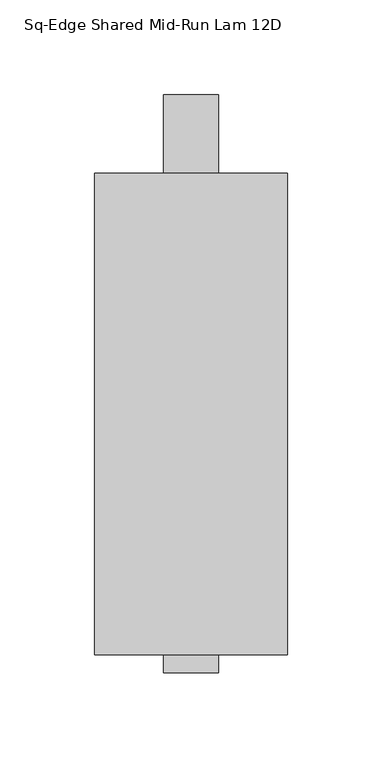
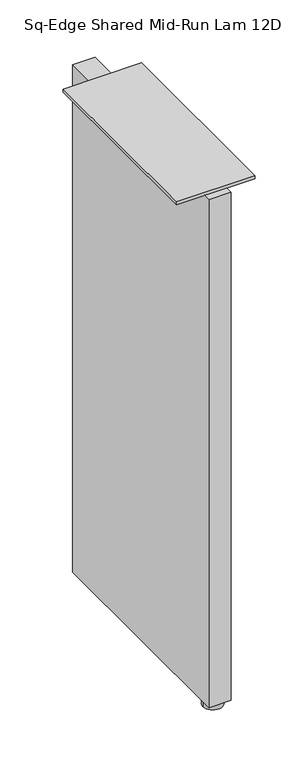
"""IFC4 building model written with IfcOpenShell, lengths in millimetres: furniture geometry, Sq-Edge Shared Mid-Run Lam 12D."""

from ifc_helpers import new_model, si_unit, frame, origin, place, context, project, spatial, polyline, circle_curve, outline, extrude, source, transform, mapped, element, save
from ifc_brep_helpers import plane_surface, cylinder_surface, advanced_brep


def sq_edge_shared_mid_run_lam_12d_a0b6dd9d(model_context):
    return source(origin(), model_context, "Body", "SolidModel", [
        advanced_brep(
        [(0.0, -292.4810027, 8.6613997), (4.1244459, -292.4810027, 8.6613997), (-4.1244459, -292.4810027, 8.6613997), (-12.7000004, -292.4810027, -1e-07), (12.7000004, -292.4810027, -1e-07), (0.0, -292.4810027, -1e-07), (-12.7000004, -292.4810027, 7.874), (12.7000004, -292.4810027, 7.874), (-4.1244459, -292.4810027, 7.874), (4.1244459, -292.4810027, 7.874)],
        [
            (0, 1),
            (1, 2, circle_curve(frame((0.0, -292.4810027, 8.6613997), z_axis=(0.0, 0.0, 1.0), x_axis=(1.0, 0.0, 0.0)), 4.1244459)),
            (2, 0),
            (2, 1, circle_curve(frame((0.0, -292.4810027, 8.6613997), z_axis=(0.0, 0.0, 1.0), x_axis=(1.0, 0.0, 0.0)), 4.1244459)),
            (3, 4, circle_curve(frame((0.0, -292.4810027, -1e-07), z_axis=(0.0, 0.0, -1.0), x_axis=(1.0, 0.0, 0.0)), 12.7000004)),
            (4, 5),
            (5, 3),
            (4, 3, circle_curve(frame((0.0, -292.4810027, -1e-07), z_axis=(0.0, 0.0, -1.0), x_axis=(1.0, 0.0, 0.0)), 12.7000004)),
            (6, 7, circle_curve(frame((0.0, -292.4810027, 7.874), z_axis=(0.0, 0.0, -1.0), x_axis=(1.0, 0.0, 0.0)), 12.7000004)),
            (7, 4),
            (3, 6),
            (7, 6, circle_curve(frame((0.0, -292.4810027, 7.874), z_axis=(0.0, 0.0, -1.0), x_axis=(1.0, 0.0, 0.0)), 12.7000004)),
            (8, 9, circle_curve(frame((0.0, -292.4810027, 7.874), z_axis=(0.0, 0.0, -1.0), x_axis=(1.0, 0.0, 0.0)), 4.1244459)),
            (9, 7),
            (6, 8),
            (9, 8, circle_curve(frame((0.0, -292.4810027, 7.874), z_axis=(0.0, 0.0, -1.0), x_axis=(1.0, 0.0, 0.0)), 4.1244459)),
            (1, 9),
            (8, 2),
        ],
        [
            plane_surface(frame((0.0, -292.4810027, 8.6613997), z_axis=(0.0, 0.0, 1.0), x_axis=(1.0, 0.0, 0.0))),
            plane_surface(frame((0.0, -292.4810027, -1e-07), z_axis=(0.0, 0.0, -1.0), x_axis=(1.0, 0.0, 0.0))),
            cylinder_surface(frame((0.0, -292.4810027, 15.4967659), z_axis=(0.0, 0.0, 1.0), x_axis=(1.0, 0.0, 0.0)), 12.7000004),
            plane_surface(frame((0.0, -292.4810027, 7.874), z_axis=(0.0, 0.0, 1.0), x_axis=(1.0, 0.0, 0.0))),
            cylinder_surface(frame((0.0, -292.4810027, 15.4967659), z_axis=(0.0, 0.0, 1.0), x_axis=(1.0, 0.0, 0.0)), 4.1244459),
        ],
        [
            (0, [[1, 2, 3]]),
            (0, [[-3, 4, -1]]),
            (1, [[5, 6, 7]]),
            (1, [[8, -7, -6]]),
            (2, [[9, 10, -5, 11]]),
            (2, [[12, -11, -8, -10]]),
            (3, [[13, 14, -9, 15]]),
            (3, [[16, -15, -12, -14]]),
            (4, [[-2, 17, -13, 18]]),
            (4, [[-4, -18, -16, -17]]),
        ],
    ),
        extrude(outline(polyline([(14.4272, -308.356), (-14.4272, -308.356), (-14.4272, -3.556), (14.4272, -3.556), (14.4272, -308.356)])), frame((0.0, 0.0, 8.6614), z_axis=(0.0, 0.0, 1.0), x_axis=(1.0, 0.0, 0.0)), (0.0, 0.0, 1.0), 693.7502),
        extrude(outline(polyline([(50.8, -298.831), (-50.8, -298.831), (-50.8, -44.831), (50.8, -44.831), (50.8, -298.831)])), frame((0.0, 0.0, 702.4116), z_axis=(0.0, 0.0, 1.0), x_axis=(1.0, 0.0, 0.0)), (0.0, 0.0, 1.0), 4.318),
    ])


if __name__ == "__main__":
    model = new_model("IFC4")
    model_context = context("Model", 3, world=origin())
    ifc_project = project(units=[si_unit("LENGTHUNIT", "METRE", prefix="MILLI")], contexts=[model_context])
    site = spatial("IfcSite", under=ifc_project)
    building = spatial("IfcBuilding", under=site)
    placement = place(None, origin())
    sq_edge_shared_mid_run_lam_12d_shape = sq_edge_shared_mid_run_lam_12d_a0b6dd9d(model_context)
    element("IfcFurniture", 1, ObjectType="Sq-Edge Shared Mid-Run Lam 12D", at=placement, inside=building, context=model_context, shape_type="MappedRepresentation", body=[
        mapped(sq_edge_shared_mid_run_lam_12d_shape, transform((0.0, 0.0, 0.0), x_axis=(1.0, 0.0, 0.0), y_axis=(0.0, 1.0, 0.0), z_axis=(0.0, 0.0, 1.0))),
    ])
    save(model, "model.ifc")
